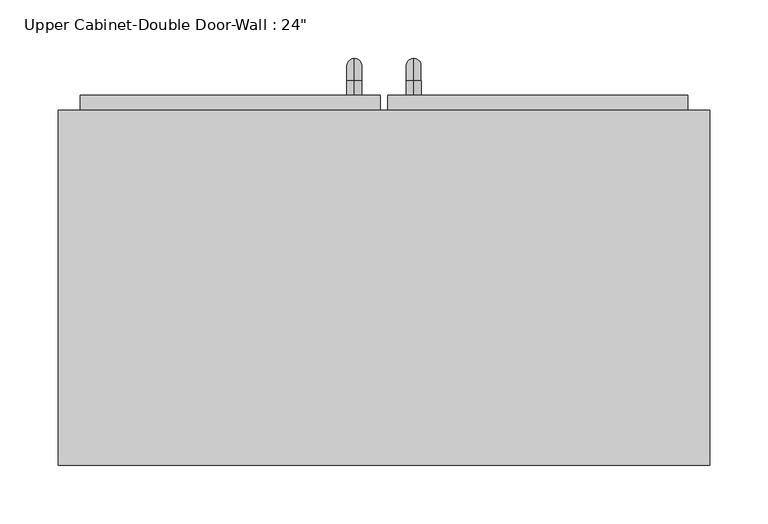
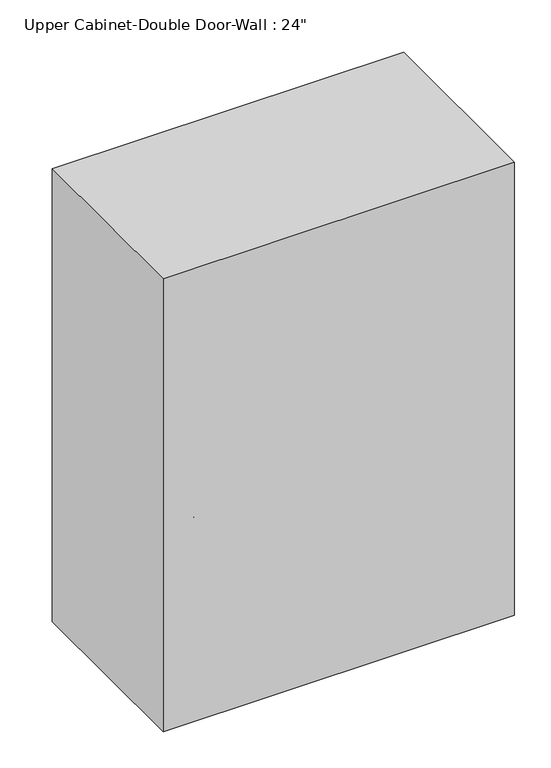
"""IFC4 building model written with IfcOpenShell, lengths in millimetres: furniture geometry."""

from ifc_helpers import new_model, si_unit, point, frame, origin, place, context, project, spatial, polyline, circle_curve, ellipse_curve, trimmed, outline, extrude, faceted_brep, source, transform, mapped, element, save
from ifc_brep_helpers import plane_surface, cylinder_surface, revolved_surface, advanced_brep


def furniture_b1707035(model_context):
    return source(origin(), model_context, "Body", "SolidModel", [
        faceted_brep([(-249.6288372, 76.2, 2133.6), (-249.6288372, 76.2, 1371.6), (309.1711628, 76.2, 1371.6), (309.1711628, 76.2, 2133.6), (-249.6288372, 381.0, 2133.6), (309.1711628, 381.0, 2133.6), (309.1711628, 381.0, 1371.6), (-249.6288372, 381.0, 1371.6), (-230.5788372, 381.0, 2114.55), (-230.5788372, 381.0, 1390.65), (290.1211628, 381.0, 1390.65), (290.1211628, 381.0, 2114.55), (290.1211628, 95.25, 2114.55), (-230.5788372, 95.25, 2114.55), (290.1211628, 95.25, 1390.65), (-230.5788372, 95.25, 1390.65)], [[[0, 1, 2, 3]], [[4, 5, 6, 7], [8, 9, 10, 11]], [[1, 0, 4, 7]], [[2, 1, 7, 6]], [[3, 2, 6, 5]], [[0, 3, 5, 4]], [[8, 11, 12, 13]], [[11, 10, 14, 12]], [[10, 9, 15, 14]], [[9, 8, 13, 15]], [[13, 12, 14, 15]]]),
        advanced_brep(
        [(55.1711628, 393.7, 1517.65), (55.1711628, 393.7, 1530.35), (55.1711628, 406.4, 1517.65), (55.1711628, 406.4, 1530.35), (55.1711628, 425.45, 1511.3), (55.1711628, 412.75, 1511.3), (55.1711628, 412.75, 1435.1), (55.1711628, 425.45, 1435.1), (55.1711628, 406.4, 1416.05), (55.1711628, 406.4, 1428.75), (55.1711628, 393.7, 1428.75), (55.1711628, 393.7, 1416.05)],
        [
            (0, 1, circle_curve(frame((55.1711628, 393.7, 1524.0), z_axis=(0.0, -1.0, 0.0), x_axis=(0.0, 0.0, -1.0)), 6.35)),
            (1, 0, circle_curve(frame((55.1711628, 393.7, 1524.0), z_axis=(0.0, -1.0, 0.0), x_axis=(0.0, 0.0, -1.0)), 6.35)),
            (0, 2),
            (2, 3, circle_curve(frame((55.1711628, 406.4, 1524.0), z_axis=(0.0, -1.0, 0.0), x_axis=(0.0, 0.0, -1.0)), 6.35)),
            (3, 1),
            (3, 2, circle_curve(frame((55.1711628, 406.4, 1524.0), z_axis=(0.0, -1.0, 0.0), x_axis=(0.0, 0.0, -1.0)), 6.35)),
            (4, 3, circle_curve(frame((55.1711628, 406.4, 1511.3), z_axis=(1.0, 0.0, 0.0), x_axis=(0.0, 0.0, 1.0)), 19.05)),
            (2, 5, circle_curve(frame((55.1711628, 406.4, 1511.3), z_axis=(-1.0, 0.0, 0.0), x_axis=(0.0, 0.0, 1.0)), 6.35)),
            (5, 4, circle_curve(frame((55.1711628, 419.1, 1511.3), z_axis=(0.0, 0.0, 1.0), x_axis=(0.0, -1.0, 0.0)), 6.35)),
            (4, 5, circle_curve(frame((55.1711628, 419.1, 1511.3), z_axis=(0.0, 0.0, 1.0), x_axis=(0.0, -1.0, 0.0)), 6.35)),
            (5, 6),
            (6, 7, circle_curve(frame((55.1711628, 419.1, 1435.1), z_axis=(0.0, 0.0, 1.0), x_axis=(0.0, -1.0, 0.0)), 6.35)),
            (7, 4),
            (7, 6, circle_curve(frame((55.1711628, 419.1, 1435.1), z_axis=(0.0, 0.0, 1.0), x_axis=(0.0, -1.0, 0.0)), 6.35)),
            (8, 7, circle_curve(frame((55.1711628, 406.4, 1435.1), z_axis=(1.0, 0.0, 0.0), x_axis=(0.0, 1.0, 0.0)), 19.05)),
            (6, 9, circle_curve(frame((55.1711628, 406.4, 1435.1), z_axis=(-1.0, 0.0, 0.0), x_axis=(0.0, 1.0, 0.0)), 6.35)),
            (9, 8, circle_curve(frame((55.1711628, 406.4, 1422.4), z_axis=(0.0, 1.0, 0.0), x_axis=(0.0, 0.0, 1.0)), 6.35)),
            (8, 9, circle_curve(frame((55.1711628, 406.4, 1422.4), z_axis=(0.0, 1.0, 0.0), x_axis=(0.0, 0.0, 1.0)), 6.35)),
            (10, 11, circle_curve(frame((55.1711628, 393.7, 1422.4), z_axis=(0.0, -1.0, 0.0), x_axis=(0.0, 0.0, 1.0)), 6.35)),
            (11, 10, circle_curve(frame((55.1711628, 393.7, 1422.4), z_axis=(0.0, -1.0, 0.0), x_axis=(0.0, 0.0, 1.0)), 6.35)),
            (9, 10),
            (11, 8),
        ],
        [
            plane_surface(frame((48.8211628, 393.7, 1524.0), z_axis=(0.0, -1.0, 0.0), x_axis=(0.0, 0.0, 1.0))),
            cylinder_surface(frame((55.1711628, 393.7, 1524.0), z_axis=(0.0, -1.0, 0.0), x_axis=(0.0, 0.0, -1.0)), 6.35),
            revolved_surface(trimmed(ellipse_curve(frame((55.1711628, 406.4, 1524.0), z_axis=(0.0, -1.0, 0.0), x_axis=(0.0, 0.0, -1.0)), 6.35, 6.35), [point((55.1711628, 406.4, 1517.65))], [point((55.1711628, 406.4, 1530.35))], True, "CARTESIAN"), (55.1711628, 406.4, 1511.3), (-1.0, 0.0, 0.0)),
            revolved_surface(trimmed(ellipse_curve(frame((55.1711628, 406.4, 1524.0), z_axis=(0.0, -1.0, 0.0), x_axis=(0.0, 0.0, -1.0)), 6.35, 6.35), [point((55.1711628, 406.4, 1530.35))], [point((55.1711628, 406.4, 1517.65))], True, "CARTESIAN"), (55.1711628, 406.4, 1511.3), (-1.0, 0.0, 0.0)),
            cylinder_surface(frame((55.1711628, 419.1, 1511.3), z_axis=(0.0, 0.0, 1.0), x_axis=(0.0, -1.0, 0.0)), 6.35),
            revolved_surface(trimmed(ellipse_curve(frame((55.1711628, 419.1, 1435.1), z_axis=(0.0, 0.0, 1.0), x_axis=(0.0, -1.0, 0.0)), 6.35, 6.35), [point((55.1711628, 412.75, 1435.1))], [point((55.1711628, 425.45, 1435.1))], True, "CARTESIAN"), (55.1711628, 406.4, 1435.1), (-1.0, 0.0, 0.0)),
            revolved_surface(trimmed(ellipse_curve(frame((55.1711628, 419.1, 1435.1), z_axis=(0.0, 0.0, 1.0), x_axis=(0.0, -1.0, 0.0)), 6.35, 6.35), [point((55.1711628, 425.45, 1435.1))], [point((55.1711628, 412.75, 1435.1))], True, "CARTESIAN"), (55.1711628, 406.4, 1435.1), (-1.0, 0.0, 0.0)),
            plane_surface(frame((48.8211628, 393.7, 1422.4), z_axis=(0.0, -1.0, 0.0), x_axis=(0.0, 0.0, -1.0))),
            cylinder_surface(frame((55.1711628, 406.4, 1422.4), z_axis=(0.0, 1.0, 0.0), x_axis=(0.0, 0.0, 1.0)), 6.35),
        ],
        [
            (0, [[1, 2]]),
            (1, [[-1, 3, 4, 5]]),
            (1, [[-2, -5, 6, -3]]),
            (2, [[7, -4, 8, 9]]),
            (3, [[-8, -6, -7, 10]]),
            (4, [[-9, 11, 12, 13]]),
            (4, [[-10, -13, 14, -11]]),
            (5, [[15, -12, 16, 17]]),
            (6, [[-16, -14, -15, 18]]),
            (7, [[19, 20]]),
            (8, [[-17, 21, -20, 22]]),
            (8, [[-18, -22, -19, -21]]),
        ],
    ),
        advanced_brep(
        [(4.3711628, 393.7, 1517.65), (4.3711628, 393.7, 1530.35), (4.3711628, 406.4, 1517.65), (4.3711628, 406.4, 1530.35), (4.3711628, 425.45, 1511.3), (4.3711628, 412.75, 1511.3), (4.3711628, 412.75, 1435.1), (4.3711628, 425.45, 1435.1), (4.3711628, 406.4, 1416.05), (4.3711628, 406.4, 1428.75), (4.3711628, 393.7, 1428.75), (4.3711628, 393.7, 1416.05)],
        [
            (0, 1, circle_curve(frame((4.3711628, 393.7, 1524.0), z_axis=(0.0, -1.0, 0.0), x_axis=(0.0, 0.0, 1.0)), 6.35)),
            (1, 0, circle_curve(frame((4.3711628, 393.7, 1524.0), z_axis=(0.0, -1.0, 0.0), x_axis=(0.0, 0.0, 1.0)), 6.35)),
            (0, 2),
            (2, 3, circle_curve(frame((4.3711628, 406.4, 1524.0), z_axis=(0.0, -1.0, 0.0), x_axis=(0.0, 0.0, 1.0)), 6.35)),
            (3, 1),
            (3, 2, circle_curve(frame((4.3711628, 406.4, 1524.0), z_axis=(0.0, -1.0, 0.0), x_axis=(0.0, 0.0, 1.0)), 6.35)),
            (4, 3, circle_curve(frame((4.3711628, 406.4, 1511.3), z_axis=(1.0, 0.0, 0.0), x_axis=(0.0, 0.0, 1.0)), 19.05)),
            (2, 5, circle_curve(frame((4.3711628, 406.4, 1511.3), z_axis=(-1.0, 0.0, 0.0), x_axis=(0.0, 0.0, 1.0)), 6.35)),
            (5, 4, circle_curve(frame((4.3711628, 419.1, 1511.3), z_axis=(0.0, 0.0, 1.0), x_axis=(0.0, 1.0, 0.0)), 6.35)),
            (4, 5, circle_curve(frame((4.3711628, 419.1, 1511.3), z_axis=(0.0, 0.0, 1.0), x_axis=(0.0, 1.0, 0.0)), 6.35)),
            (5, 6),
            (6, 7, circle_curve(frame((4.3711628, 419.1, 1435.1), z_axis=(0.0, 0.0, 1.0), x_axis=(0.0, 1.0, 0.0)), 6.35)),
            (7, 4),
            (7, 6, circle_curve(frame((4.3711628, 419.1, 1435.1), z_axis=(0.0, 0.0, 1.0), x_axis=(0.0, 1.0, 0.0)), 6.35)),
            (8, 7, circle_curve(frame((4.3711628, 406.4, 1435.1), z_axis=(1.0, 0.0, 0.0), x_axis=(0.0, 1.0, 0.0)), 19.05)),
            (6, 9, circle_curve(frame((4.3711628, 406.4, 1435.1), z_axis=(-1.0, 0.0, 0.0), x_axis=(0.0, 1.0, 0.0)), 6.35)),
            (9, 8, circle_curve(frame((4.3711628, 406.4, 1422.4), z_axis=(0.0, 1.0, 0.0), x_axis=(0.0, 0.0, -1.0)), 6.35)),
            (8, 9, circle_curve(frame((4.3711628, 406.4, 1422.4), z_axis=(0.0, 1.0, 0.0), x_axis=(0.0, 0.0, -1.0)), 6.35)),
            (10, 11, circle_curve(frame((4.3711628, 393.7, 1422.4), z_axis=(0.0, -1.0, 0.0), x_axis=(0.0, 0.0, -1.0)), 6.35)),
            (11, 10, circle_curve(frame((4.3711628, 393.7, 1422.4), z_axis=(0.0, -1.0, 0.0), x_axis=(0.0, 0.0, -1.0)), 6.35)),
            (9, 10),
            (11, 8),
        ],
        [
            plane_surface(frame((-1.9788372, 393.7, 1524.0), z_axis=(0.0, -1.0, 0.0), x_axis=(0.0, 0.0, 1.0))),
            cylinder_surface(frame((4.3711628, 393.7, 1524.0), z_axis=(0.0, -1.0, 0.0), x_axis=(0.0, 0.0, 1.0)), 6.35),
            revolved_surface(trimmed(ellipse_curve(frame((4.3711628, 406.4, 1524.0), z_axis=(0.0, -1.0, 0.0), x_axis=(0.0, 0.0, 1.0)), 6.35, 6.35), [point((4.3711628, 406.4, 1517.65))], [point((4.3711628, 406.4, 1530.35))], True, "CARTESIAN"), (4.3711628, 406.4, 1511.3), (-1.0, 0.0, 0.0)),
            revolved_surface(trimmed(ellipse_curve(frame((4.3711628, 406.4, 1524.0), z_axis=(0.0, -1.0, 0.0), x_axis=(0.0, 0.0, 1.0)), 6.35, 6.35), [point((4.3711628, 406.4, 1530.35))], [point((4.3711628, 406.4, 1517.65))], True, "CARTESIAN"), (4.3711628, 406.4, 1511.3), (-1.0, 0.0, 0.0)),
            cylinder_surface(frame((4.3711628, 419.1, 1511.3), z_axis=(0.0, 0.0, 1.0), x_axis=(0.0, 1.0, 0.0)), 6.35),
            revolved_surface(trimmed(ellipse_curve(frame((4.3711628, 419.1, 1435.1), z_axis=(0.0, 0.0, 1.0), x_axis=(0.0, 1.0, 0.0)), 6.35, 6.35), [point((4.3711628, 412.75, 1435.1))], [point((4.3711628, 425.45, 1435.1))], True, "CARTESIAN"), (4.3711628, 406.4, 1435.1), (-1.0, 0.0, 0.0)),
            revolved_surface(trimmed(ellipse_curve(frame((4.3711628, 419.1, 1435.1), z_axis=(0.0, 0.0, 1.0), x_axis=(0.0, 1.0, 0.0)), 6.35, 6.35), [point((4.3711628, 425.45, 1435.1))], [point((4.3711628, 412.75, 1435.1))], True, "CARTESIAN"), (4.3711628, 406.4, 1435.1), (-1.0, 0.0, 0.0)),
            plane_surface(frame((-1.9788372, 393.7, 1422.4), z_axis=(0.0, -1.0, 0.0), x_axis=(0.0, 0.0, -1.0))),
            cylinder_surface(frame((4.3711628, 406.4, 1422.4), z_axis=(0.0, 1.0, 0.0), x_axis=(0.0, 0.0, -1.0)), 6.35),
        ],
        [
            (0, [[1, 2]]),
            (1, [[-1, 3, 4, 5]]),
            (1, [[-2, -5, 6, -3]]),
            (2, [[7, -4, 8, 9]]),
            (3, [[-8, -6, -7, 10]]),
            (4, [[-9, 11, 12, 13]]),
            (4, [[-10, -13, 14, -11]]),
            (5, [[15, -12, 16, 17]]),
            (6, [[-16, -14, -15, 18]]),
            (7, [[19, 20]]),
            (8, [[-17, 21, -20, 22]]),
            (8, [[-18, -22, -19, -21]]),
        ],
    ),
        extrude(outline(polyline([(32.9461628, 393.7), (290.1211628, 393.7), (290.1211628, 361.95), (32.9461628, 361.95), (32.9461628, 393.7)])), frame((0.0, 0.0, 1390.65), z_axis=(0.0, 0.0, 1.0), x_axis=(1.0, 0.0, 0.0)), (0.0, 0.0, 1.0), 723.9),
        extrude(outline(polyline([(-230.5788372, 393.7), (26.5961628, 393.7), (26.5961628, 361.95), (-230.5788372, 361.95), (-230.5788372, 393.7)])), frame((0.0, 0.0, 1390.65), z_axis=(0.0, 0.0, 1.0), x_axis=(1.0, 0.0, 0.0)), (0.0, 0.0, 1.0), 723.9),
    ])


if __name__ == "__main__":
    model = new_model("IFC4")
    model_context = context("Model", 3, world=origin())
    ifc_project = project(units=[si_unit("LENGTHUNIT", "METRE", prefix="MILLI")], contexts=[model_context])
    site = spatial("IfcSite", under=ifc_project)
    building = spatial("IfcBuilding", under=site)
    placement = place(None, origin())
    furniture_shape = furniture_b1707035(model_context)
    element("IfcFurniture", 1, ObjectType="Upper Cabinet-Double Door-Wall : 24\"", at=placement, inside=building, context=model_context, shape_type="MappedRepresentation", body=[
        mapped(furniture_shape, transform((0.0, 0.0, 0.0), x_axis=(1.0, 0.0, 0.0), y_axis=(0.0, 1.0, 0.0), z_axis=(0.0, 0.0, 1.0))),
    ])
    save(model, "model.ifc")
